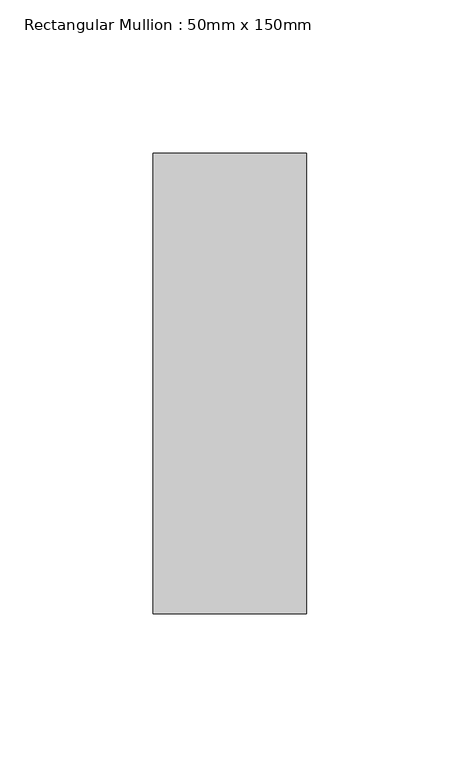
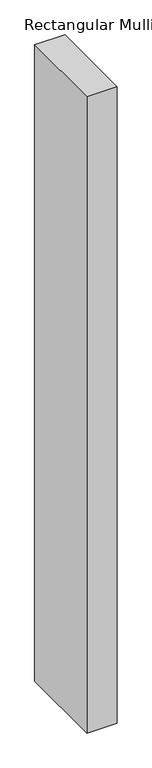
"""IFC4 building model written with IfcOpenShell, lengths in millimetres: member geometry, Rectangular Mullion : 50mm x 150mm."""

import ifcopenshell
import ifcopenshell.guid

model = None  # the IFC model being written
_history = None  # IfcOwnerHistory: only IFC2X3 demands one
_inside = {}  # id of a spatial element -> (the spatial element, [elements in it])
_under = {}  # id of a project, library or spatial element -> (it, [spatial elements below it])
_declared = {}  # id of a project -> (the project, [libraries it declares])
_typed = {}  # id of a type object -> (the type object, [elements of that type])
_made_of = {}  # id of a material, layer set ... -> (it, [elements and type objects made of it])


def new_model(schema):
    """Start an empty IFC model of exactly this schema.

    Asked for "IFC4X3", IfcOpenShell would pick the latest addendum, in which some entities
    have other attributes; the version numbers below select the first issue.
    IFC2X3 requires an IfcOwnerHistory on every rooted entity: one is made here for all.
    """
    global model, _history
    if schema == "IFC4X3":
        model = ifcopenshell.file(schema_version=(4, 3, 0, 0))
    else:
        model = ifcopenshell.file(schema=schema)
    _inside.clear()
    _under.clear()
    _declared.clear()
    _typed.clear()
    _made_of.clear()
    _history = None
    if model.schema == "IFC2X3":
        org = make("IfcOrganization", Name="unknown")
        user = make(
            "IfcPersonAndOrganization",
            ThePerson=make("IfcPerson", FamilyName="unknown"),
            TheOrganization=org,
        )
        app = make(
            "IfcApplication",
            ApplicationDeveloper=org,
            Version="unknown",
            ApplicationFullName="unknown",
            ApplicationIdentifier="unknown",
        )
        _history = make(
            "IfcOwnerHistory",
            OwningUser=user,
            OwningApplication=app,
            ChangeAction="ADDED",
            CreationDate=0,
        )
    return model


def make(cls, **values):
    """One entity of the class cls with the attributes given. An attribute that is None is left unset."""
    return model.create_entity(
        cls, **{name: value for name, value in values.items() if value is not None}
    )


def rooted(cls, **values):
    """An entity with a GlobalId (a new one), such as an element, a storey or a relation."""
    return make(cls, GlobalId=ifcopenshell.guid.new(), OwnerHistory=_history, **values)


def si_unit(unit_type, name, prefix=None):
    """IfcSIUnit, for example si_unit("LENGTHUNIT", "METRE", prefix="MILLI")."""
    return make("IfcSIUnit", UnitType=unit_type, Prefix=prefix, Name=name)


def assignment(units):
    """IfcUnitAssignment: the units of a project."""
    return None if units is None else make("IfcUnitAssignment", Units=units)


def point(xyz):
    """IfcCartesianPoint."""
    return None if xyz is None else make("IfcCartesianPoint", Coordinates=xyz)


def direction(xyz):
    """IfcDirection."""
    return None if xyz is None else make("IfcDirection", DirectionRatios=xyz)


def frame(location, z_axis=None, x_axis=None):
    """IfcAxis2Placement3D, a coordinate frame: its origin and axes. An axis left out is left unset."""
    return make(
        "IfcAxis2Placement3D",
        Location=point(location),
        Axis=direction(z_axis),
        RefDirection=direction(x_axis),
    )


def origin():
    """The frame at (0, 0, 0) with its axes left unset."""
    return frame((0.0, 0.0, 0.0))


def place(relative_to, where):
    """IfcLocalPlacement: puts the frame where relative to a parent placement (None: the world)."""
    return make(
        "IfcLocalPlacement", PlacementRelTo=relative_to, RelativePlacement=where
    )


def context(
    kind, dimensions, precision=None, world=None, true_north=None, identifier=None
):
    """IfcGeometricRepresentationContext, for example the 3D "Model" context."""
    return make(
        "IfcGeometricRepresentationContext",
        ContextIdentifier=identifier,
        ContextType=kind,
        CoordinateSpaceDimension=dimensions,
        Precision=precision,
        WorldCoordinateSystem=world,
        TrueNorth=true_north,
    )


def project(units=None, contexts=None):
    """IfcProject with its units and contexts."""
    return rooted(
        "IfcProject",
        Name="project",
        RepresentationContexts=contexts,
        UnitsInContext=assignment(units),
    )


def spatial(cls, under=None, at=None, **own):
    """A site, building, storey or space (cls), placed at a placement, below another one or the project."""
    s = rooted(cls, ObjectPlacement=at, **own)
    if under is not None:
        _under.setdefault(under.id(), (under, []))[1].append(s)
    return s


def polyline(points):
    """IfcPolyline through the points."""
    return make("IfcPolyline", Points=[point(p) for p in points])


def outline(outer, holes=None, kind="AREA"):
    """IfcArbitraryClosedProfileDef: a profile drawn as a closed curve; with holes, ...WithVoids."""
    if holes is None:
        return make("IfcArbitraryClosedProfileDef", ProfileType=kind, OuterCurve=outer)
    return make(
        "IfcArbitraryProfileDefWithVoids",
        ProfileType=kind,
        OuterCurve=outer,
        InnerCurves=holes,
    )


def extrude(swept, where, along, depth):
    """IfcExtrudedAreaSolid: the profile swept, set in the frame where, extruded along a direction by depth."""
    return make(
        "IfcExtrudedAreaSolid",
        SweptArea=swept,
        Position=where,
        ExtrudedDirection=direction(along),
        Depth=depth,
    )


def shape(context_of_items, identifier, shape_type, items):
    """IfcShapeRepresentation: the items that make up one representation, for example the "Body"."""
    return make(
        "IfcShapeRepresentation",
        ContextOfItems=context_of_items,
        RepresentationIdentifier=identifier,
        RepresentationType=shape_type,
        Items=items,
    )


def source(mapping_origin, context_of_items, identifier, shape_type, items):
    """IfcRepresentationMap: a shape defined once, which mapped items show again and again."""
    return make(
        "IfcRepresentationMap",
        MappingOrigin=mapping_origin,
        MappedRepresentation=shape(context_of_items, identifier, shape_type, items),
    )


def transform(
    local_origin,
    x_axis=None,
    y_axis=None,
    z_axis=None,
    scale=None,
    scale2=None,
    scale3=None,
    uniform=True,
):
    """IfcCartesianTransformationOperator3D, or its non-uniform kind. x_axis, y_axis, z_axis: its Axis1, 2, 3."""
    if uniform:
        return make(
            "IfcCartesianTransformationOperator3D",
            Axis1=direction(x_axis),
            Axis2=direction(y_axis),
            LocalOrigin=point(local_origin),
            Scale=scale,
            Axis3=direction(z_axis),
        )
    return make(
        "IfcCartesianTransformationOperator3DnonUniform",
        Axis1=direction(x_axis),
        Axis2=direction(y_axis),
        LocalOrigin=point(local_origin),
        Scale=scale,
        Axis3=direction(z_axis),
        Scale2=scale2,
        Scale3=scale3,
    )


def mapped(mapping_source, mapping_target):
    """IfcMappedItem: shows the shape of a source again, moved by a transform."""
    return make(
        "IfcMappedItem", MappingSource=mapping_source, MappingTarget=mapping_target
    )


def made_of(thing, what):
    """Note that an element or type object is made of a material, layer set ...; save() writes the relation."""
    if what is not None:
        _made_of.setdefault(what.id(), (what, []))[1].append(thing)
    return thing


def element(
    cls,
    number,
    at=None,
    inside=None,
    cuts=None,
    type_object=None,
    material=None,
    context=None,
    identifier="Body",
    shape_type=None,
    held_by="IfcProductDefinitionShape",
    body=None,
    shapes=None,
    **own,
):
    """One element of the class cls, such as IfcWall. Its Tag is "e" and its number.

    at: its placement. inside: the storey or other place that contains it. cuts: it is an
    opening in that element (IfcRelVoidsElement). A single representation is given by context,
    identifier, shape_type and body (its items); several are given by shapes. held_by: the class
    of the entity that holds the representations. save() writes the other relations.
    """
    e = rooted(cls, Tag="e%d" % number, ObjectPlacement=at, **own)
    if body is not None:
        shapes = [shape(context, identifier, shape_type, body)]
    if shapes is not None:
        e.Representation = make(held_by, Representations=shapes)
    if inside is not None:
        _inside.setdefault(inside.id(), (inside, []))[1].append(e)
    if cuts is not None:
        rooted(
            "IfcRelVoidsElement", RelatingBuildingElement=cuts, RelatedOpeningElement=e
        )
    if type_object is not None:
        _typed.setdefault(type_object.id(), (type_object, []))[1].append(e)
    return made_of(e, material)


def aggregate(whole, parts):
    """IfcRelAggregates: a whole, such as a stair, and the parts it consists of."""
    return rooted("IfcRelAggregates", RelatingObject=whole, RelatedObjects=parts)


def save(model, path):
    """Write the relations noted so far, then the file.

    IfcRelAggregates (storeys below a building ...), IfcRelContainedInSpatialStructure (elements
    in a storey), IfcRelDefinesByType, IfcRelAssociatesMaterial and IfcRelDeclares: one each for
    every whole, place, type object, material and project.
    """
    for whole, parts in _under.values():
        aggregate(whole, parts)
    for where, things in _inside.values():
        rooted(
            "IfcRelContainedInSpatialStructure",
            RelatedElements=things,
            RelatingStructure=where,
        )
    for kind, things in _typed.values():
        rooted("IfcRelDefinesByType", RelatedObjects=things, RelatingType=kind)
    for what, things in _made_of.values():
        rooted("IfcRelAssociatesMaterial", RelatedObjects=things, RelatingMaterial=what)
    for by, libraries in _declared.values():
        rooted("IfcRelDeclares", RelatingContext=by, RelatedDefinitions=libraries)
    model.write(path)


def rectangular_mullion_50mm_x_150mm_101e5c4c(model_context):
    return source(origin(), model_context, "Body", "SweptSolid", [
        extrude(outline(polyline([(0.0, 75.0), (0.0, -75.0), (-50.0, -75.0), (-50.0, 75.0), (0.0, 75.0)])), frame((0.0, 0.0, -1112.4999999), z_axis=(0.0, 0.0, 1.0), x_axis=(1.0, 0.0, 0.0)), (0.0, 0.0, 1.0), 1112.4999999),
    ])


if __name__ == "__main__":
    model = new_model("IFC4")
    model_context = context("Model", 3, world=origin())
    ifc_project = project(units=[si_unit("LENGTHUNIT", "METRE", prefix="MILLI")], contexts=[model_context])
    site = spatial("IfcSite", under=ifc_project)
    building = spatial("IfcBuilding", under=site)
    placement = place(None, origin())
    rectangular_mullion_50mm_x_150mm_shape = rectangular_mullion_50mm_x_150mm_101e5c4c(model_context)
    element("IfcMember", 1, ObjectType="Rectangular Mullion : 50mm x 150mm", at=placement, inside=building, context=model_context, shape_type="MappedRepresentation", body=[
        mapped(rectangular_mullion_50mm_x_150mm_shape, transform((0.0, 0.0, 0.0), x_axis=(1.0, 0.0, 0.0), y_axis=(0.0, 1.0, 0.0), z_axis=(0.0, 0.0, 1.0))),
    ])
    save(model, "model.ifc")
